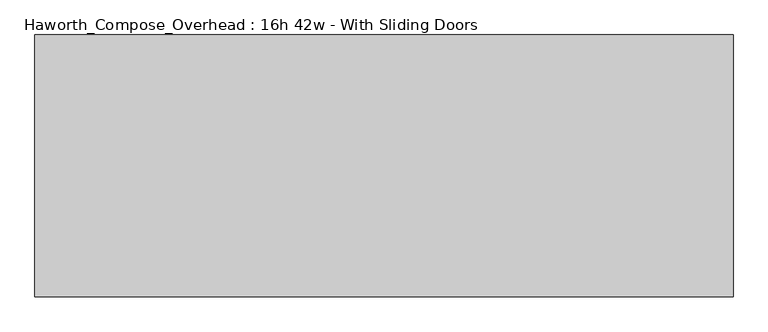
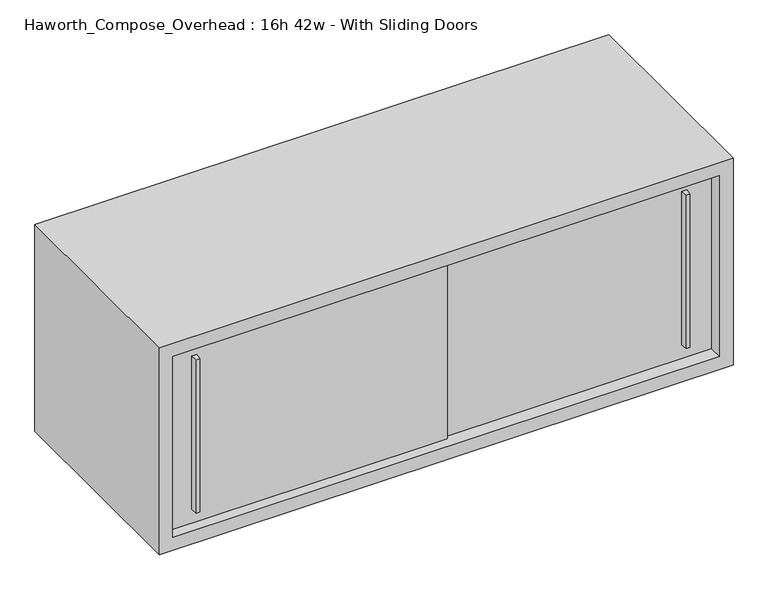
"""IFC4 building model written with IfcOpenShell, lengths in millimetres: furniture geometry, Haworth_Compose_Overhead : 16h 42w - With Sliding Doors."""

from ifc_helpers import new_model, si_unit, frame, origin, place, context, project, spatial, polyline, outline, extrude, source, transform, mapped, element, save


def haworth_compose_overhead_16h_42w_with_sliding_doors_0ce097cd(model_context):
    return source(origin(), model_context, "Body", "SweptSolid", [
        extrude(outline(polyline([(625.4750004, -387.3499879), (619.1249996, -387.3499879), (617.5375011, -374.65), (627.0624989, -374.65), (625.4750004, -387.3499879)])), frame((0.0, 0.0, 1322.3875), z_axis=(0.0, 0.0, 1.0), x_axis=(1.0, 0.0, 0.0)), (0.0, 0.0, 1.0), 301.625),
        extrude(outline(polyline([(-288.9249996, -393.6999879), (-295.2750004, -393.6999879), (-296.8624989, -381.0), (-287.3375011, -381.0), (-288.9249996, -393.6999879)])), frame((0.0, 0.0, 1322.3875), z_axis=(0.0, 0.0, 1.0), x_axis=(1.0, 0.0, 0.0)), (0.0, 0.0, 1.0), 301.625),
        extrude(outline(polyline([(-342.9, -374.65), (177.8, -374.65), (177.8, -381.0), (-342.9, -381.0), (-342.9, -374.65)])), frame((0.0, 0.0, 1295.4), z_axis=(0.0, 0.0, 1.0), x_axis=(1.0, 0.0, 0.0)), (0.0, 0.0, 1.0), 355.6),
        extrude(outline(polyline([(152.4, -368.3), (673.1, -368.3), (673.1, -374.65), (152.4, -374.65), (152.4, -368.3)])), frame((0.0, 0.0, 1295.4), z_axis=(0.0, 0.0, 1.0), x_axis=(1.0, 0.0, 0.0)), (0.0, 0.0, 1.0), 355.6),
        extrude(outline(polyline([(673.1, -6.35), (-342.9, -6.35), (-342.9, 0.0), (673.1, 0.0), (673.1, -6.35)])), frame((0.0, 0.0, 1295.4), z_axis=(0.0, 0.0, 1.0), x_axis=(1.0, 0.0, 0.0)), (0.0, 0.0, 1.0), 355.6),
        extrude(outline(polyline([(1270.0, 698.5), (1676.4, 698.5), (1676.4, -368.3), (1270.0, -368.3), (1270.0, 698.5)]), holes=[polyline([(1651.0, 673.1), (1295.4, 673.1), (1295.4, -342.9), (1651.0, -342.9), (1651.0, 673.1)])]), frame((0.0, -400.05, 0.0), z_axis=(0.0, 1.0, 0.0), x_axis=(0.0, 0.0, 1.0)), (0.0, 0.0, 1.0), 400.05),
    ])


if __name__ == "__main__":
    model = new_model("IFC4")
    model_context = context("Model", 3, world=origin())
    ifc_project = project(units=[si_unit("LENGTHUNIT", "METRE", prefix="MILLI")], contexts=[model_context])
    site = spatial("IfcSite", under=ifc_project)
    building = spatial("IfcBuilding", under=site)
    placement = place(None, origin())
    haworth_compose_overhead_16h_42w_with_sliding_doors_shape = haworth_compose_overhead_16h_42w_with_sliding_doors_0ce097cd(model_context)
    element("IfcFurniture", 1, ObjectType="Haworth_Compose_Overhead : 16h 42w - With Sliding Doors", at=placement, inside=building, context=model_context, shape_type="MappedRepresentation", body=[
        mapped(haworth_compose_overhead_16h_42w_with_sliding_doors_shape, transform((0.0, 0.0, 0.0), x_axis=(1.0, 0.0, 0.0), y_axis=(0.0, 1.0, 0.0), z_axis=(0.0, 0.0, 1.0))),
    ])
    save(model, "model.ifc")
